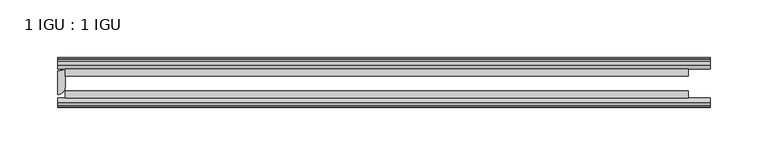
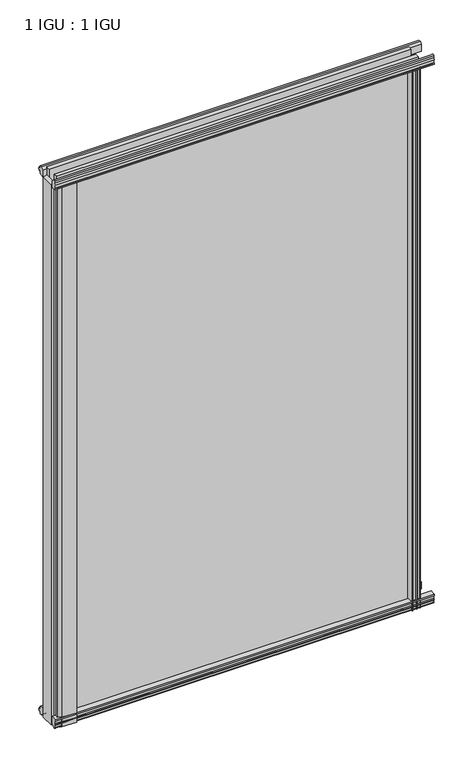
"""IFC4 building model written with IfcOpenShell, lengths in millimetres: plate geometry, 1 IGU : 1 IGU."""

from ifc_helpers import new_model, si_unit, point, frame, frame_2d, origin, place, context, project, spatial, polyline, circle_curve, trimmed, segment, composite_curve, outline, extrude, source, transform, mapped, element, save


def plate_1_igu_1_igu_94dfb0ec(model_context):
    return source(origin(), model_context, "Body", "SweptSolid", [
        extrude(outline(composite_curve([segment(polyline([(-46.2359545, 846.392137), (-46.2359545, 835.3699197), (-53.3197108, 836.7372291)]), True, "CONTINUOUS"), segment(trimmed(circle_curve(frame_2d((-53.1447545, 837.7380519)), 1.016), [point((-53.3197108, 836.7372291))], [point((-53.8888005, 838.4298983))], False, "CARTESIAN"), True, "CONTINUOUS"), segment(polyline([(-53.8888005, 838.4298983), (-52.5859205, 838.2460519), (-52.5859205, 843.6562519), (-54.0652165, 843.9170917), (-52.5859205, 846.5010519), (-52.5859205, 849.6760519)]), True, "CONTINUOUS"), segment(trimmed(circle_curve(frame_2d((-51.3159205, 849.6760519)), 1.27), [point((-52.5859205, 849.6760519))], [point((-50.4178949, 850.5740775))], False, "CARTESIAN"), True, "CONTINUOUS"), segment(polyline([(-50.4178949, 850.5740775), (-46.2359545, 846.392137)]), True, "CONTINUOUS")], self_intersect=False)), frame((-282.5754022, 0.0, 0.0), z_axis=(1.0, 0.0, 0.0), x_axis=(0.0, 1.0, 0.0)), (0.0, 0.0, 1.0), 565.1508044),
        extrude(outline(polyline([(-17.4323375, 850.8285625), (-14.4859375, 850.8285625), (-14.4859375, 846.3835625), (-12.1057405, 846.0025625), (-12.5656738, 847.4180916), (-11.7644596, 847.4180916), (-11.0569375, 845.2405625), (-11.7644596, 843.0630334), (-12.5656738, 843.0630334), (-12.1057405, 844.4785625), (-14.4859375, 844.0975625), (-14.4859375, 838.8905625), (-20.8359545, 837.1728398), (-20.8359545, 847.9942062), (-17.4323375, 850.8285625)])), frame((-282.5754022, 0.0, 0.0), z_axis=(1.0, 0.0, 0.0), x_axis=(0.0, 1.0, 0.0)), (0.0, 0.0, 1.0), 565.1508044),
        extrude(outline(polyline([(-20.8359545, 1.2049602), (-14.4859375, -0.5127625), (-14.4859375, -5.7197625), (-12.1057405, -6.1007625), (-12.5656738, -4.6852334), (-11.7644596, -4.6852334), (-11.0569375, -6.8627625), (-11.7644596, -9.0402916), (-12.5656738, -9.0402916), (-12.1057405, -7.6247625), (-14.4859375, -8.0057625), (-14.4859375, -12.4507625), (-17.4323375, -12.4507625), (-20.8359545, -9.6164062), (-20.8359545, 1.2049602)])), frame((-282.5754022, 0.0, 0.0), z_axis=(1.0, 0.0, 0.0), x_axis=(0.0, 1.0, 0.0)), (0.0, 0.0, 1.0), 565.1508044),
        extrude(outline(composite_curve([segment(polyline([(-53.3197108, 1.6405709), (-46.2359545, 3.0078803), (-46.2359545, -8.014337), (-50.4178949, -12.1962775)]), True, "CONTINUOUS"), segment(trimmed(circle_curve(frame_2d((-51.3159205, -11.2982519)), 1.27), [point((-50.4178949, -12.1962775))], [point((-52.5859205, -11.2982519))], False, "CARTESIAN"), True, "CONTINUOUS"), segment(polyline([(-52.5859205, -11.2982519), (-52.5859205, -8.1232519), (-54.0652165, -5.5392917), (-52.5859205, -5.2784519), (-52.5859205, 0.1317481), (-53.8888005, -0.0520983)]), True, "CONTINUOUS"), segment(trimmed(circle_curve(frame_2d((-53.1447545, 0.6397481)), 1.016), [point((-53.8888005, -0.0520983))], [point((-53.3197108, 1.6405709))], False, "CARTESIAN"), True, "CONTINUOUS")], self_intersect=False)), frame((-282.5754022, 0.0, 0.0), z_axis=(1.0, 0.0, 0.0), x_axis=(0.0, 1.0, 0.0)), (0.0, 0.0, 1.0), 565.1508044),
        extrude(outline(composite_curve([segment(trimmed(circle_curve(frame_2d((-282.5754022, -10.4903061)), 12.1389698), [point((-282.5754022, -22.629276))], [point((-276.2254022, -20.8359375))], True, "CARTESIAN"), True, "CONTINUOUS"), segment(polyline([(-276.2254022, -20.8359375), (-276.2254022, -36.7109375)]), True, "CONTINUOUS"), segment(trimmed(circle_curve(frame_2d((-282.5754022, -36.7109375)), 6.35), [point((-276.2254022, -36.7109375))], [point((-282.5754022, -43.0609375))], False, "CARTESIAN"), True, "CONTINUOUS"), segment(polyline([(-282.5754022, -43.0609375), (-282.5754022, -22.629276)]), True, "CONTINUOUS")], self_intersect=False)), frame((0.0, 0.0, -12.7), z_axis=(0.0, 0.0, 1.0), x_axis=(1.0, 0.0, 0.0)), (0.0, 0.0, 1.0), 851.0778),
        extrude(outline(composite_curve([segment(polyline([(-273.4648163, -46.2359375), (-247.0208609, -46.2359375)]), True, "CONTINUOUS"), segment(trimmed(circle_curve(frame_2d((-235.8824314, -56.4589223)), 15.118665), [point((-247.0208609, -46.2359375))], [point((-250.8254022, -54.1607375))], True, "CARTESIAN"), True, "CONTINUOUS"), segment(polyline([(-250.8254022, -54.1607375), (-272.7114351, -52.904699), (-277.9672135, -50.6809375), (-277.9672135, -48.1409375), (-273.4648163, -46.2359375)]), True, "CONTINUOUS")], self_intersect=False)), frame((0.0, 0.0, -12.7), z_axis=(0.0, 0.0, 1.0), x_axis=(1.0, 0.0, 0.0)), (0.0, 0.0, 1.0), 851.0778),
        extrude(outline(composite_curve([segment(polyline([(249.2095491, -53.3197108), (247.8422364, -46.2359375), (258.86444, -46.2359375), (263.0463975, -50.4178949)]), True, "CONTINUOUS"), segment(trimmed(circle_curve(frame_2d((262.1483719, -51.3159205)), 1.27), [point((263.0463975, -50.4178949))], [point((262.1483719, -52.5859205))], False, "CARTESIAN"), True, "CONTINUOUS"), segment(polyline([(262.1483719, -52.5859205), (258.9733719, -52.5859205), (256.3894117, -54.0652165), (256.1285719, -52.5859205), (250.7183719, -52.5859205), (250.9413353, -53.8504091)]), True, "CONTINUOUS"), segment(trimmed(circle_curve(frame_2d((250.2103719, -53.1447545)), 1.016), [point((250.9413353, -53.8504091))], [point((249.2095491, -53.3197108))], False, "CARTESIAN"), True, "CONTINUOUS")], self_intersect=False)), frame((0.0, 0.0, -12.6752823), z_axis=(0.0, 0.0, 1.0), x_axis=(1.0, 0.0, 0.0)), (0.0, 0.0, 1.0), 851.0530823),
        extrude(outline(polyline([(255.5353534, -11.7644596), (257.7128825, -11.0569375), (259.8904115, -11.7644596), (259.8904115, -12.5656738), (258.4748825, -12.1057405), (258.8558825, -14.4859375), (263.3008825, -14.4859375), (263.3008825, -17.4323375), (260.4665403, -20.8359375), (249.6451644, -20.8359375), (251.3628825, -14.4859375), (256.5698825, -14.4859375), (256.9508825, -12.1057405), (255.5353534, -12.5656738), (255.5353534, -11.7644596)])), frame((0.0, 0.0, -12.6752823), z_axis=(0.0, 0.0, 1.0), x_axis=(1.0, 0.0, 0.0)), (0.0, 0.0, 1.0), 851.0530823),
        extrude(outline(polyline([(263.5254022, -20.8359375), (263.5254022, -27.1859375), (-276.2254022, -27.1859375), (-276.2254022, -20.8359375), (263.5254022, -20.8359375)])), frame((0.0, 0.0, -12.6752823), z_axis=(0.0, 0.0, 1.0), x_axis=(1.0, 0.0, 0.0)), (0.0, 0.0, 1.0), 863.7283645),
        extrude(outline(polyline([(-276.2254022, -46.2359375), (-276.2254022, -39.8859375), (263.5254022, -39.8859375), (263.5254022, -46.2359375), (-276.2254022, -46.2359375)])), frame((0.0, 0.0, -12.6752823), z_axis=(0.0, 0.0, 1.0), x_axis=(1.0, 0.0, 0.0)), (0.0, 0.0, 1.0), 863.7283645),
    ])


if __name__ == "__main__":
    model = new_model("IFC4")
    model_context = context("Model", 3, world=origin())
    ifc_project = project(units=[si_unit("LENGTHUNIT", "METRE", prefix="MILLI")], contexts=[model_context])
    site = spatial("IfcSite", under=ifc_project)
    building = spatial("IfcBuilding", under=site)
    placement = place(None, origin())
    plate_1_igu_1_igu_shape = plate_1_igu_1_igu_94dfb0ec(model_context)
    element("IfcPlate", 1, ObjectType="1 IGU : 1 IGU", at=placement, inside=building, context=model_context, shape_type="MappedRepresentation", body=[
        mapped(plate_1_igu_1_igu_shape, transform((0.0, 0.0, 0.0), x_axis=(1.0, 0.0, 0.0), y_axis=(0.0, 1.0, 0.0), z_axis=(0.0, 0.0, 1.0))),
    ])
    save(model, "model.ifc")
